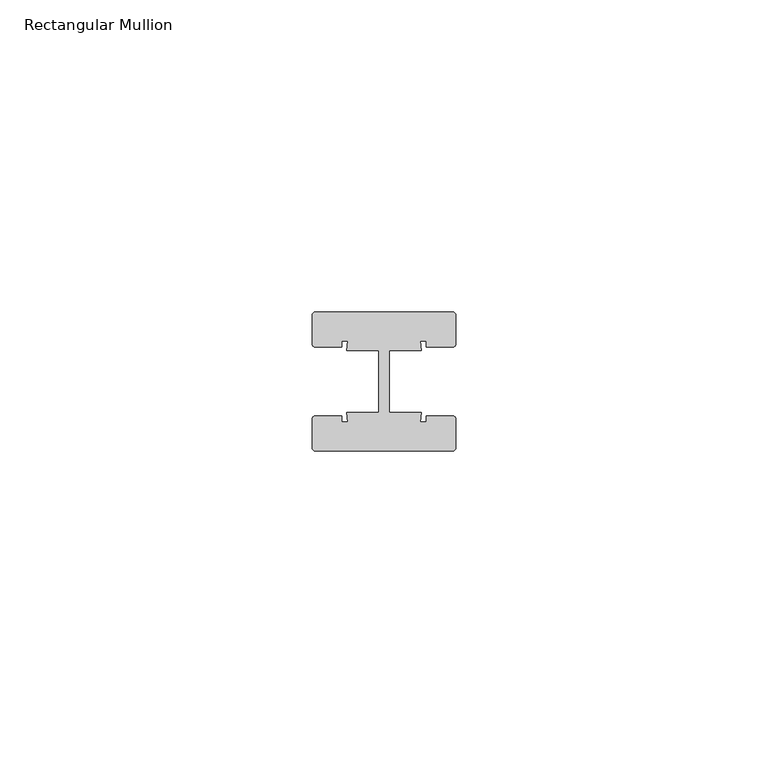
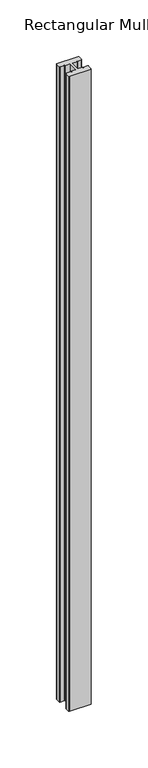
"""IFC4 building model written with IfcOpenShell, lengths in millimetres: member geometry, Rectangular Mullion."""

from ifc_helpers import new_model, si_unit, point, frame, frame_2d, origin, place, context, project, spatial, polyline, circle_curve, trimmed, segment, composite_curve, outline, extrude, source, transform, mapped, element, save


def rectangular_mullion_93c1cbbd(model_context):
    return source(origin(), model_context, "Body", "SweptSolid", [
        extrude(outline(composite_curve([segment(trimmed(circle_curve(frame_2d((-11.0, 10.64)), 0.5), [point((-11.5, 10.64))], [point((-11.0, 11.14))], False, "CARTESIAN"), True, "CONTINUOUS"), segment(polyline([(-11.0, 11.14), (11.0, 11.14)]), True, "CONTINUOUS"), segment(trimmed(circle_curve(frame_2d((11.0, 10.64)), 0.5), [point((11.0, 11.14))], [point((11.5, 10.64))], False, "CARTESIAN"), True, "CONTINUOUS"), segment(polyline([(11.5, 10.64), (11.5, 6.0)]), True, "CONTINUOUS"), segment(trimmed(circle_curve(frame_2d((11.0, 6.0)), 0.5), [point((11.5, 6.0))], [point((11.0, 5.5))], False, "CARTESIAN"), True, "CONTINUOUS"), segment(polyline([(11.0, 5.5), (6.75, 5.5), (6.75, 6.5), (5.7984177, 6.5), (6.0, 5.0), (0.840625, 5.0), (0.840625, -5.0), (6.0, -5.0), (5.7984177, -6.5), (6.75, -6.5), (6.75, -5.5), (11.0, -5.5)]), True, "CONTINUOUS"), segment(trimmed(circle_curve(frame_2d((11.0, -6.0)), 0.5), [point((11.0, -5.5))], [point((11.5, -6.0))], False, "CARTESIAN"), True, "CONTINUOUS"), segment(polyline([(11.5, -6.0), (11.5, -10.64)]), True, "CONTINUOUS"), segment(trimmed(circle_curve(frame_2d((11.0, -10.64)), 0.5), [point((11.5, -10.64))], [point((11.0, -11.14))], False, "CARTESIAN"), True, "CONTINUOUS"), segment(polyline([(11.0, -11.14), (-11.0, -11.14)]), True, "CONTINUOUS"), segment(trimmed(circle_curve(frame_2d((-11.0, -10.64)), 0.5), [point((-11.0, -11.14))], [point((-11.5, -10.64))], False, "CARTESIAN"), True, "CONTINUOUS"), segment(polyline([(-11.5, -10.64), (-11.5, -6.0)]), True, "CONTINUOUS"), segment(trimmed(circle_curve(frame_2d((-11.0, -6.0)), 0.5), [point((-11.5, -6.0))], [point((-11.0, -5.5))], False, "CARTESIAN"), True, "CONTINUOUS"), segment(polyline([(-11.0, -5.5), (-6.75, -5.5), (-6.75, -6.5), (-5.7984177, -6.5), (-6.0, -5.0), (-0.840625, -5.0), (-0.840625, 5.0), (-6.0, 5.0), (-5.7984177, 6.5), (-6.75, 6.5), (-6.75, 5.5), (-11.0, 5.5)]), True, "CONTINUOUS"), segment(trimmed(circle_curve(frame_2d((-11.0, 6.0)), 0.5), [point((-11.0, 5.5))], [point((-11.5, 6.0))], False, "CARTESIAN"), True, "CONTINUOUS"), segment(polyline([(-11.5, 6.0), (-11.5, 10.64)]), True, "CONTINUOUS")], self_intersect=False)), frame((0.0, 0.0, -686.4612132), z_axis=(0.0, 0.0, 1.0), x_axis=(1.0, 0.0, 0.0)), (0.0, 0.0, 1.0), 686.4612132),
    ])


if __name__ == "__main__":
    model = new_model("IFC4")
    model_context = context("Model", 3, world=origin())
    ifc_project = project(units=[si_unit("LENGTHUNIT", "METRE", prefix="MILLI")], contexts=[model_context])
    site = spatial("IfcSite", under=ifc_project)
    building = spatial("IfcBuilding", under=site)
    placement = place(None, origin())
    rectangular_mullion_shape = rectangular_mullion_93c1cbbd(model_context)
    element("IfcMember", 1, ObjectType="Rectangular Mullion", at=placement, inside=building, context=model_context, shape_type="MappedRepresentation", body=[
        mapped(rectangular_mullion_shape, transform((0.0, 0.0, 0.0), x_axis=(1.0, 0.0, 0.0), y_axis=(0.0, 1.0, 0.0), z_axis=(0.0, 0.0, 1.0))),
    ])
    save(model, "model.ifc")
